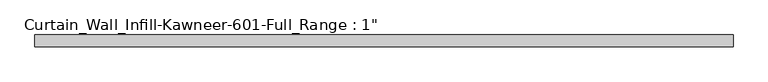
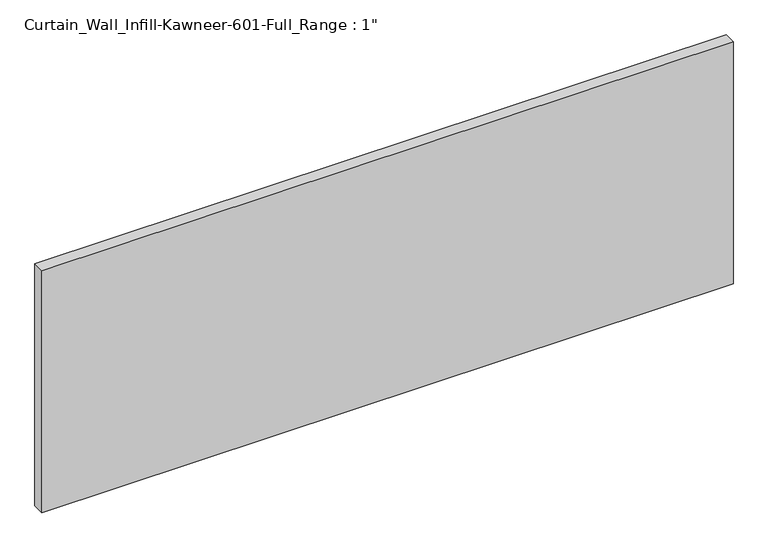
"""IFC4 building model written with IfcOpenShell, lengths in millimetres: plate geometry."""

from ifc_helpers import new_model, si_unit, origin, origin_with_axes, place, context, project, spatial, polyline, outline, extrude, source, transform, mapped, element, save


def plate_9679e37a(model_context):
    return source(origin(), model_context, "Body", "SweptSolid", [
        extrude(outline(polyline([(-746.125, 12.7), (746.125, 12.7), (746.125, -12.7), (-746.125, -12.7), (-746.125, 12.7)])), origin_with_axes(), (0.0, 0.0, 1.0), 552.45),
    ])


if __name__ == "__main__":
    model = new_model("IFC4")
    model_context = context("Model", 3, world=origin())
    ifc_project = project(units=[si_unit("LENGTHUNIT", "METRE", prefix="MILLI")], contexts=[model_context])
    site = spatial("IfcSite", under=ifc_project)
    building = spatial("IfcBuilding", under=site)
    placement = place(None, origin())
    plate_shape = plate_9679e37a(model_context)
    element("IfcPlate", 1, ObjectType="Curtain_Wall_Infill-Kawneer-601-Full_Range : 1\"", at=placement, inside=building, context=model_context, shape_type="MappedRepresentation", body=[
        mapped(plate_shape, transform((0.0, 0.0, 0.0), x_axis=(1.0, 0.0, 0.0), y_axis=(0.0, 1.0, 0.0), z_axis=(0.0, 0.0, 1.0))),
    ])
    save(model, "model.ifc")
